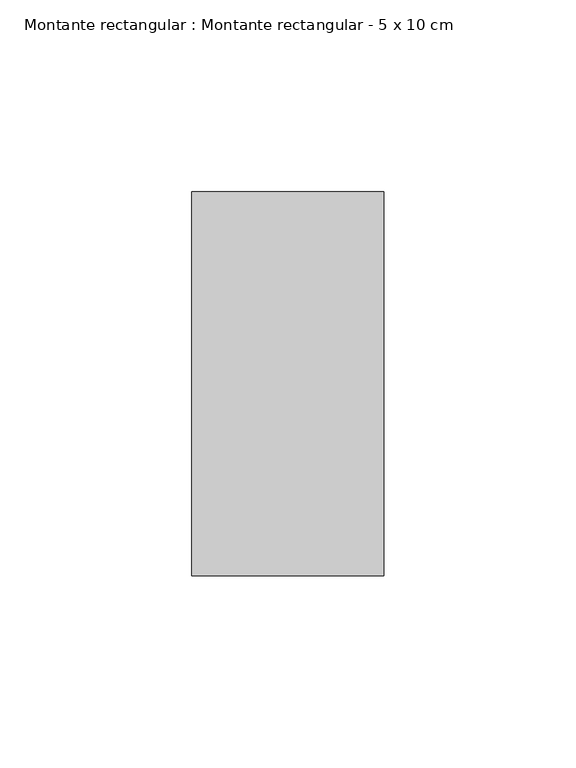
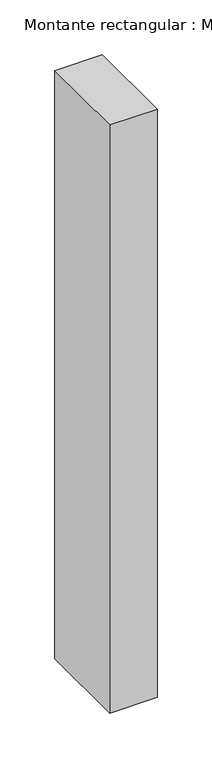
"""IFC4 building model written with IfcOpenShell, lengths in millimetres: member geometry, Montante rectangular : Montante rectangular - 5 x 10 cm."""

from ifc_helpers import new_model, si_unit, frame, origin, place, context, project, spatial, polyline, outline, extrude, source, transform, mapped, element, save


def montante_rectangular_montante_rectangular_5_x_10_cm_ec10f1b6(model_context):
    return source(origin(), model_context, "Body", "SweptSolid", [
        extrude(outline(polyline([(0.0, 50.0), (0.0, -50.0), (-50.0, -50.0), (-50.0, 50.0), (0.0, 50.0)])), frame((0.0, 0.0, -655.0), z_axis=(0.0, 0.0, 1.0), x_axis=(1.0, 0.0, 0.0)), (0.0, 0.0, 1.0), 655.0),
    ])


if __name__ == "__main__":
    model = new_model("IFC4")
    model_context = context("Model", 3, world=origin())
    ifc_project = project(units=[si_unit("LENGTHUNIT", "METRE", prefix="MILLI")], contexts=[model_context])
    site = spatial("IfcSite", under=ifc_project)
    building = spatial("IfcBuilding", under=site)
    placement = place(None, origin())
    montante_rectangular_montante_rectangular_5_x_10_cm_shape = montante_rectangular_montante_rectangular_5_x_10_cm_ec10f1b6(model_context)
    element("IfcMember", 1, ObjectType="Montante rectangular : Montante rectangular - 5 x 10 cm", at=placement, inside=building, context=model_context, shape_type="MappedRepresentation", body=[
        mapped(montante_rectangular_montante_rectangular_5_x_10_cm_shape, transform((0.0, 0.0, 0.0), x_axis=(1.0, 0.0, 0.0), y_axis=(0.0, 1.0, 0.0), z_axis=(0.0, 0.0, 1.0))),
    ])
    save(model, "model.ifc")
